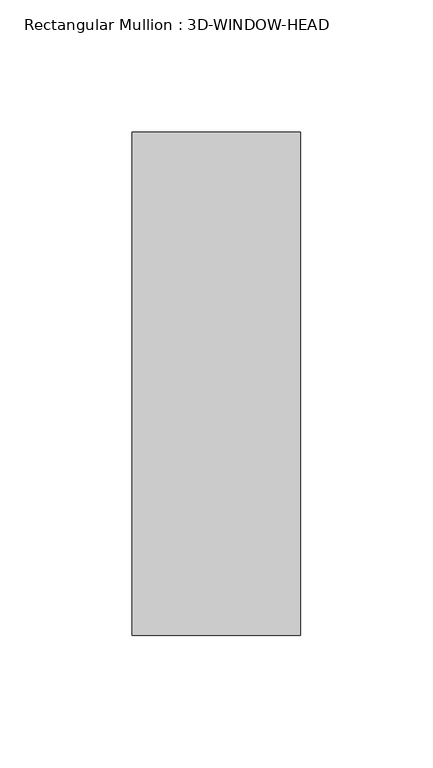
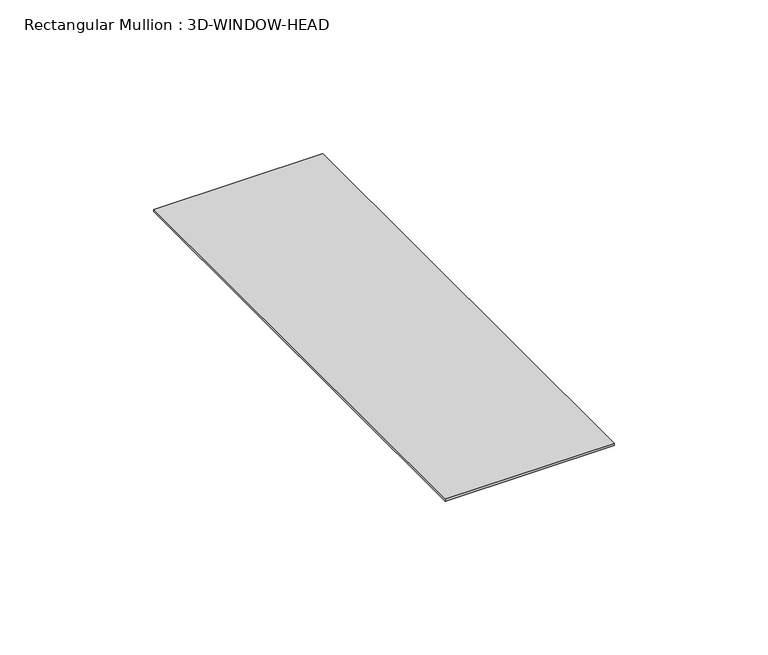
"""IFC4 building model written with IfcOpenShell, lengths in millimetres: member geometry, Rectangular Mullion : 3D-WINDOW-HEAD."""

import ifcopenshell
import ifcopenshell.guid

model = None  # the IFC model being written
_history = None  # IfcOwnerHistory: only IFC2X3 demands one
_inside = {}  # id of a spatial element -> (the spatial element, [elements in it])
_under = {}  # id of a project, library or spatial element -> (it, [spatial elements below it])
_declared = {}  # id of a project -> (the project, [libraries it declares])
_typed = {}  # id of a type object -> (the type object, [elements of that type])
_made_of = {}  # id of a material, layer set ... -> (it, [elements and type objects made of it])


def new_model(schema):
    """Start an empty IFC model of exactly this schema.

    Asked for "IFC4X3", IfcOpenShell would pick the latest addendum, in which some entities
    have other attributes; the version numbers below select the first issue.
    IFC2X3 requires an IfcOwnerHistory on every rooted entity: one is made here for all.
    """
    global model, _history
    if schema == "IFC4X3":
        model = ifcopenshell.file(schema_version=(4, 3, 0, 0))
    else:
        model = ifcopenshell.file(schema=schema)
    _inside.clear()
    _under.clear()
    _declared.clear()
    _typed.clear()
    _made_of.clear()
    _history = None
    if model.schema == "IFC2X3":
        org = make("IfcOrganization", Name="unknown")
        user = make(
            "IfcPersonAndOrganization",
            ThePerson=make("IfcPerson", FamilyName="unknown"),
            TheOrganization=org,
        )
        app = make(
            "IfcApplication",
            ApplicationDeveloper=org,
            Version="unknown",
            ApplicationFullName="unknown",
            ApplicationIdentifier="unknown",
        )
        _history = make(
            "IfcOwnerHistory",
            OwningUser=user,
            OwningApplication=app,
            ChangeAction="ADDED",
            CreationDate=0,
        )
    return model


def make(cls, **values):
    """One entity of the class cls with the attributes given. An attribute that is None is left unset."""
    return model.create_entity(
        cls, **{name: value for name, value in values.items() if value is not None}
    )


def rooted(cls, **values):
    """An entity with a GlobalId (a new one), such as an element, a storey or a relation."""
    return make(cls, GlobalId=ifcopenshell.guid.new(), OwnerHistory=_history, **values)


def si_unit(unit_type, name, prefix=None):
    """IfcSIUnit, for example si_unit("LENGTHUNIT", "METRE", prefix="MILLI")."""
    return make("IfcSIUnit", UnitType=unit_type, Prefix=prefix, Name=name)


def assignment(units):
    """IfcUnitAssignment: the units of a project."""
    return None if units is None else make("IfcUnitAssignment", Units=units)


def point(xyz):
    """IfcCartesianPoint."""
    return None if xyz is None else make("IfcCartesianPoint", Coordinates=xyz)


def direction(xyz):
    """IfcDirection."""
    return None if xyz is None else make("IfcDirection", DirectionRatios=xyz)


def frame(location, z_axis=None, x_axis=None):
    """IfcAxis2Placement3D, a coordinate frame: its origin and axes. An axis left out is left unset."""
    return make(
        "IfcAxis2Placement3D",
        Location=point(location),
        Axis=direction(z_axis),
        RefDirection=direction(x_axis),
    )


def origin():
    """The frame at (0, 0, 0) with its axes left unset."""
    return frame((0.0, 0.0, 0.0))


def place(relative_to, where):
    """IfcLocalPlacement: puts the frame where relative to a parent placement (None: the world)."""
    return make(
        "IfcLocalPlacement", PlacementRelTo=relative_to, RelativePlacement=where
    )


def context(
    kind, dimensions, precision=None, world=None, true_north=None, identifier=None
):
    """IfcGeometricRepresentationContext, for example the 3D "Model" context."""
    return make(
        "IfcGeometricRepresentationContext",
        ContextIdentifier=identifier,
        ContextType=kind,
        CoordinateSpaceDimension=dimensions,
        Precision=precision,
        WorldCoordinateSystem=world,
        TrueNorth=true_north,
    )


def project(units=None, contexts=None):
    """IfcProject with its units and contexts."""
    return rooted(
        "IfcProject",
        Name="project",
        RepresentationContexts=contexts,
        UnitsInContext=assignment(units),
    )


def spatial(cls, under=None, at=None, **own):
    """A site, building, storey or space (cls), placed at a placement, below another one or the project."""
    s = rooted(cls, ObjectPlacement=at, **own)
    if under is not None:
        _under.setdefault(under.id(), (under, []))[1].append(s)
    return s


def polyline(points):
    """IfcPolyline through the points."""
    return make("IfcPolyline", Points=[point(p) for p in points])


def outline(outer, holes=None, kind="AREA"):
    """IfcArbitraryClosedProfileDef: a profile drawn as a closed curve; with holes, ...WithVoids."""
    if holes is None:
        return make("IfcArbitraryClosedProfileDef", ProfileType=kind, OuterCurve=outer)
    return make(
        "IfcArbitraryProfileDefWithVoids",
        ProfileType=kind,
        OuterCurve=outer,
        InnerCurves=holes,
    )


def extrude(swept, where, along, depth):
    """IfcExtrudedAreaSolid: the profile swept, set in the frame where, extruded along a direction by depth."""
    return make(
        "IfcExtrudedAreaSolid",
        SweptArea=swept,
        Position=where,
        ExtrudedDirection=direction(along),
        Depth=depth,
    )


def shape(context_of_items, identifier, shape_type, items):
    """IfcShapeRepresentation: the items that make up one representation, for example the "Body"."""
    return make(
        "IfcShapeRepresentation",
        ContextOfItems=context_of_items,
        RepresentationIdentifier=identifier,
        RepresentationType=shape_type,
        Items=items,
    )


def source(mapping_origin, context_of_items, identifier, shape_type, items):
    """IfcRepresentationMap: a shape defined once, which mapped items show again and again."""
    return make(
        "IfcRepresentationMap",
        MappingOrigin=mapping_origin,
        MappedRepresentation=shape(context_of_items, identifier, shape_type, items),
    )


def transform(
    local_origin,
    x_axis=None,
    y_axis=None,
    z_axis=None,
    scale=None,
    scale2=None,
    scale3=None,
    uniform=True,
):
    """IfcCartesianTransformationOperator3D, or its non-uniform kind. x_axis, y_axis, z_axis: its Axis1, 2, 3."""
    if uniform:
        return make(
            "IfcCartesianTransformationOperator3D",
            Axis1=direction(x_axis),
            Axis2=direction(y_axis),
            LocalOrigin=point(local_origin),
            Scale=scale,
            Axis3=direction(z_axis),
        )
    return make(
        "IfcCartesianTransformationOperator3DnonUniform",
        Axis1=direction(x_axis),
        Axis2=direction(y_axis),
        LocalOrigin=point(local_origin),
        Scale=scale,
        Axis3=direction(z_axis),
        Scale2=scale2,
        Scale3=scale3,
    )


def mapped(mapping_source, mapping_target):
    """IfcMappedItem: shows the shape of a source again, moved by a transform."""
    return make(
        "IfcMappedItem", MappingSource=mapping_source, MappingTarget=mapping_target
    )


def made_of(thing, what):
    """Note that an element or type object is made of a material, layer set ...; save() writes the relation."""
    if what is not None:
        _made_of.setdefault(what.id(), (what, []))[1].append(thing)
    return thing


def element(
    cls,
    number,
    at=None,
    inside=None,
    cuts=None,
    type_object=None,
    material=None,
    context=None,
    identifier="Body",
    shape_type=None,
    held_by="IfcProductDefinitionShape",
    body=None,
    shapes=None,
    **own,
):
    """One element of the class cls, such as IfcWall. Its Tag is "e" and its number.

    at: its placement. inside: the storey or other place that contains it. cuts: it is an
    opening in that element (IfcRelVoidsElement). A single representation is given by context,
    identifier, shape_type and body (its items); several are given by shapes. held_by: the class
    of the entity that holds the representations. save() writes the other relations.
    """
    e = rooted(cls, Tag="e%d" % number, ObjectPlacement=at, **own)
    if body is not None:
        shapes = [shape(context, identifier, shape_type, body)]
    if shapes is not None:
        e.Representation = make(held_by, Representations=shapes)
    if inside is not None:
        _inside.setdefault(inside.id(), (inside, []))[1].append(e)
    if cuts is not None:
        rooted(
            "IfcRelVoidsElement", RelatingBuildingElement=cuts, RelatedOpeningElement=e
        )
    if type_object is not None:
        _typed.setdefault(type_object.id(), (type_object, []))[1].append(e)
    return made_of(e, material)


def aggregate(whole, parts):
    """IfcRelAggregates: a whole, such as a stair, and the parts it consists of."""
    return rooted("IfcRelAggregates", RelatingObject=whole, RelatedObjects=parts)


def save(model, path):
    """Write the relations noted so far, then the file.

    IfcRelAggregates (storeys below a building ...), IfcRelContainedInSpatialStructure (elements
    in a storey), IfcRelDefinesByType, IfcRelAssociatesMaterial and IfcRelDeclares: one each for
    every whole, place, type object, material and project.
    """
    for whole, parts in _under.values():
        aggregate(whole, parts)
    for where, things in _inside.values():
        rooted(
            "IfcRelContainedInSpatialStructure",
            RelatedElements=things,
            RelatingStructure=where,
        )
    for kind, things in _typed.values():
        rooted("IfcRelDefinesByType", RelatedObjects=things, RelatingType=kind)
    for what, things in _made_of.values():
        rooted("IfcRelAssociatesMaterial", RelatedObjects=things, RelatingMaterial=what)
    for by, libraries in _declared.values():
        rooted("IfcRelDeclares", RelatingContext=by, RelatedDefinitions=libraries)
    model.write(path)


def rectangular_mullion_3d_window_head_517b2373(model_context):
    return source(origin(), model_context, "Body", "SweptSolid", [
        extrude(outline(polyline([(31.75, 94.996), (31.75, -94.996), (-31.75, -94.996), (-31.75, 94.996), (31.75, 94.996)])), frame((0.0, 0.0, -0.8541753), z_axis=(0.0, 0.0, 1.0), x_axis=(1.0, 0.0, 0.0)), (0.0, 0.0, 1.0), 0.8541753),
    ])


if __name__ == "__main__":
    model = new_model("IFC4")
    model_context = context("Model", 3, world=origin())
    ifc_project = project(units=[si_unit("LENGTHUNIT", "METRE", prefix="MILLI")], contexts=[model_context])
    site = spatial("IfcSite", under=ifc_project)
    building = spatial("IfcBuilding", under=site)
    placement = place(None, origin())
    rectangular_mullion_3d_window_head_shape = rectangular_mullion_3d_window_head_517b2373(model_context)
    element("IfcMember", 1, ObjectType="Rectangular Mullion : 3D-WINDOW-HEAD", at=placement, inside=building, context=model_context, shape_type="MappedRepresentation", body=[
        mapped(rectangular_mullion_3d_window_head_shape, transform((0.0, 0.0, 0.0), x_axis=(1.0, 0.0, 0.0), y_axis=(0.0, 1.0, 0.0), z_axis=(0.0, 0.0, 1.0))),
    ])
    save(model, "model.ifc")
